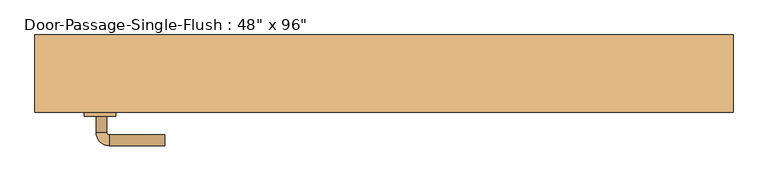
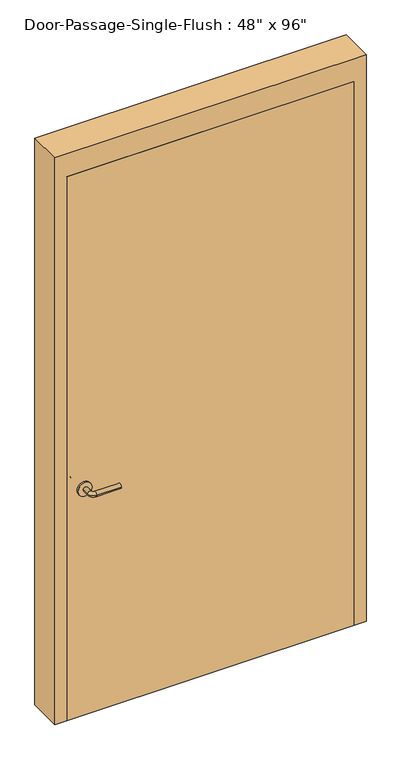
"""IFC4 building model written with IfcOpenShell, lengths in millimetres: door geometry."""

from ifc_helpers import new_model, si_unit, point, frame, frame_2d, origin, origin_with_axes, place, context, project, spatial, polyline, circle_curve, ellipse_curve, trimmed, segment, composite_curve, outline, extrude, faceted_brep, source, transform, mapped, element, save
from ifc_brep_helpers import plane_surface, cylinder_surface, revolved_surface, advanced_brep


def door_c3084327(model_context):
    return source(origin(), model_context, "Body", "SolidModel", [
        advanced_brep(
        [(-544.590625, -80.9, 1016.0), (-524.590625, -80.9, 1016.0), (-544.590625, -50.9, 1016.0), (-524.590625, -50.9, 1016.0), (-519.590625, -45.9, 1016.0), (-519.590625, -25.9, 1016.0), (-414.590625, -25.9, 1016.0), (-414.590625, -45.9, 1016.0)],
        [
            (0, 1, circle_curve(frame((-534.590625, -80.9, 1016.0), z_axis=(0.0, -1.0, 0.0), x_axis=(1.0, 0.0, 0.0)), 10.0)),
            (1, 0, circle_curve(frame((-534.590625, -80.9, 1016.0), z_axis=(0.0, -1.0, 0.0), x_axis=(1.0, 0.0, 0.0)), 10.0)),
            (0, 2),
            (2, 3, circle_curve(frame((-534.590625, -50.9, 1016.0), z_axis=(0.0, -1.0, 0.0), x_axis=(1.0, 0.0, 0.0)), 10.0)),
            (3, 1),
            (3, 2, circle_curve(frame((-534.590625, -50.9, 1016.0), z_axis=(0.0, -1.0, 0.0), x_axis=(1.0, 0.0, 0.0)), 10.0)),
            (4, 3, circle_curve(frame((-519.590625, -50.9, 1016.0), z_axis=(0.0, 0.0, 1.0), x_axis=(-1.0, 0.0, 0.0)), 5.0)),
            (2, 5, circle_curve(frame((-519.590625, -50.9, 1016.0), z_axis=(0.0, 0.0, -1.0), x_axis=(-1.0, 0.0, 0.0)), 25.0)),
            (5, 4, circle_curve(frame((-519.590625, -35.9, 1016.0), z_axis=(-1.0, 0.0, 0.0), x_axis=(0.0, -1.0, 0.0)), 10.0)),
            (4, 5, circle_curve(frame((-519.590625, -35.9, 1016.0), z_axis=(-1.0, 0.0, 0.0), x_axis=(0.0, -1.0, 0.0)), 10.0)),
            (6, 7, circle_curve(frame((-414.590625, -35.9, 1016.0), z_axis=(1.0, 0.0, 0.0), x_axis=(0.0, -1.0, 0.0)), 10.0)),
            (7, 6, circle_curve(frame((-414.590625, -35.9, 1016.0), z_axis=(1.0, 0.0, 0.0), x_axis=(0.0, -1.0, 0.0)), 10.0)),
            (5, 6),
            (7, 4),
        ],
        [
            plane_surface(frame((-534.590625, -80.9, 1016.0), z_axis=(0.0, -1.0, 0.0), x_axis=(0.0, 0.0, 1.0))),
            cylinder_surface(frame((-534.590625, -80.9, 1016.0), z_axis=(0.0, -1.0, 0.0), x_axis=(1.0, 0.0, 0.0)), 10.0),
            revolved_surface(trimmed(ellipse_curve(frame((-534.590625, -50.9, 1016.0), z_axis=(0.0, -1.0, 0.0), x_axis=(1.0, 0.0, 0.0)), 10.0, 10.0), [point((-544.590625, -50.9, 1016.0))], [point((-524.590625, -50.9, 1016.0))], True, "CARTESIAN"), (-519.590625, -50.9, 1016.0), (0.0, 0.0, -1.0)),
            revolved_surface(trimmed(ellipse_curve(frame((-534.590625, -50.9, 1016.0), z_axis=(0.0, -1.0, 0.0), x_axis=(1.0, 0.0, 0.0)), 10.0, 10.0), [point((-524.590625, -50.9, 1016.0))], [point((-544.590625, -50.9, 1016.0))], True, "CARTESIAN"), (-519.590625, -50.9, 1016.0), (0.0, 0.0, -1.0)),
            plane_surface(frame((-414.590625, -35.9, 1016.0), z_axis=(1.0, 0.0, 0.0), x_axis=(0.0, 0.0, 1.0))),
            cylinder_surface(frame((-519.590625, -35.9, 1016.0), z_axis=(-1.0, 0.0, 0.0), x_axis=(0.0, -1.0, 0.0)), 10.0),
        ],
        [
            (0, [[1, 2]]),
            (1, [[-1, 3, 4, 5]]),
            (1, [[-2, -5, 6, -3]]),
            (2, [[7, -4, 8, 9]]),
            (3, [[-8, -6, -7, 10]]),
            (4, [[11, 12]]),
            (5, [[-9, 13, -12, 14]]),
            (5, [[-10, -14, -11, -13]]),
        ],
    ),
        extrude(outline(composite_curve([segment(trimmed(circle_curve(frame_2d((1016.0, -537.090625)), 30.0), [point((1016.0, -567.090625))], [point((1016.0, -507.090625))], False, "CARTESIAN"), True, "CONTINUOUS"), segment(trimmed(circle_curve(frame_2d((1016.0, -537.090625)), 30.0), [point((1016.0, -507.090625))], [point((1016.0, -567.090625))], False, "CARTESIAN"), True, "CONTINUOUS")], self_intersect=False)), frame((0.0, -88.9, 0.0), z_axis=(0.0, 1.0, 0.0), x_axis=(0.0, 0.0, 1.0)), (0.0, 0.0, 1.0), 8.0),
        advanced_brep(
        [(-544.590625, -141.35, 1016.0), (-524.590625, -141.35, 1016.0), (-524.590625, -171.35, 1016.0), (-544.590625, -171.35, 1016.0), (-519.590625, -176.35, 1016.0), (-519.590625, -196.35, 1016.0), (-414.590625, -196.35, 1016.0), (-414.590625, -176.35, 1016.0)],
        [
            (0, 1, circle_curve(frame((-534.590625, -141.35, 1016.0), z_axis=(0.0, 1.0, 0.0), x_axis=(1.0, 0.0, 0.0)), 10.0)),
            (1, 0, circle_curve(frame((-534.590625, -141.35, 1016.0), z_axis=(0.0, 1.0, 0.0), x_axis=(1.0, 0.0, 0.0)), 10.0)),
            (1, 2),
            (2, 3, circle_curve(frame((-534.590625, -171.35, 1016.0), z_axis=(0.0, 1.0, 0.0), x_axis=(1.0, 0.0, 0.0)), 10.0)),
            (3, 0),
            (3, 2, circle_curve(frame((-534.590625, -171.35, 1016.0), z_axis=(0.0, 1.0, 0.0), x_axis=(1.0, 0.0, 0.0)), 10.0)),
            (4, 5, circle_curve(frame((-519.590625, -186.35, 1016.0), z_axis=(-1.0, 0.0, 0.0), x_axis=(0.0, 1.0, 0.0)), 10.0)),
            (5, 3, circle_curve(frame((-519.590625, -171.35, 1016.0), z_axis=(0.0, 0.0, -1.0), x_axis=(-1.0, 0.0, 0.0)), 25.0)),
            (2, 4, circle_curve(frame((-519.590625, -171.35, 1016.0), z_axis=(0.0, 0.0, 1.0), x_axis=(-1.0, 0.0, 0.0)), 5.0)),
            (5, 4, circle_curve(frame((-519.590625, -186.35, 1016.0), z_axis=(-1.0, 0.0, 0.0), x_axis=(0.0, 1.0, 0.0)), 10.0)),
            (6, 7, circle_curve(frame((-414.590625, -186.35, 1016.0), z_axis=(1.0, 0.0, 0.0), x_axis=(0.0, 1.0, 0.0)), 10.0)),
            (7, 6, circle_curve(frame((-414.590625, -186.35, 1016.0), z_axis=(1.0, 0.0, 0.0), x_axis=(0.0, 1.0, 0.0)), 10.0)),
            (4, 7),
            (6, 5),
        ],
        [
            plane_surface(frame((-534.590625, -141.35, 1016.0), z_axis=(0.0, 1.0, 0.0), x_axis=(0.0, 0.0, 1.0))),
            cylinder_surface(frame((-534.590625, -141.35, 1016.0), z_axis=(0.0, 1.0, 0.0), x_axis=(1.0, 0.0, 0.0)), 10.0),
            revolved_surface(trimmed(ellipse_curve(frame((-534.590625, -171.35, 1016.0), z_axis=(0.0, -1.0, 0.0), x_axis=(1.0, 0.0, 0.0)), 10.0, 10.0), [point((-544.590625, -171.35, 1016.0))], [point((-524.590625, -171.35, 1016.0))], True, "CARTESIAN"), (-519.590625, -171.35, 1016.0), (0.0, 0.0, -1.0)),
            revolved_surface(trimmed(ellipse_curve(frame((-534.590625, -171.35, 1016.0), z_axis=(0.0, -1.0, 0.0), x_axis=(1.0, 0.0, 0.0)), 10.0, 10.0), [point((-524.590625, -171.35, 1016.0))], [point((-544.590625, -171.35, 1016.0))], True, "CARTESIAN"), (-519.590625, -171.35, 1016.0), (0.0, 0.0, -1.0)),
            plane_surface(frame((-414.590625, -186.35, 1016.0), z_axis=(1.0, 0.0, 0.0), x_axis=(0.0, 0.0, 1.0))),
            cylinder_surface(frame((-519.590625, -186.35, 1016.0), z_axis=(-1.0, 0.0, 0.0), x_axis=(0.0, 1.0, 0.0)), 10.0),
        ],
        [
            (0, [[1, 2]]),
            (1, [[3, 4, 5, -2]]),
            (1, [[-5, 6, -3, -1]]),
            (2, [[7, 8, -4, 9]]),
            (3, [[10, -9, -6, -8]]),
            (4, [[11, 12]]),
            (5, [[13, -11, 14, -7]]),
            (5, [[-14, -12, -13, -10]]),
        ],
    ),
        extrude(outline(composite_curve([segment(trimmed(circle_curve(frame_2d((1016.0, -537.090625)), 30.0), [point((1016.0, -567.090625))], [point((1016.0, -507.090625))], False, "CARTESIAN"), True, "CONTINUOUS"), segment(trimmed(circle_curve(frame_2d((1016.0, -537.090625)), 30.0), [point((1016.0, -507.090625))], [point((1016.0, -567.090625))], False, "CARTESIAN"), True, "CONTINUOUS")], self_intersect=False)), frame((0.0, -141.35, 0.0), z_axis=(0.0, 1.0, 0.0), x_axis=(0.0, 0.0, 1.0)), (0.0, 0.0, 1.0), 8.0),
        faceted_brep([(609.6, -84.1375, 0.0), (593.725, -84.1375, 0.0), (593.725, -36.5125, 0.0), (609.6, -36.5125, 0.0), (609.6, 12.7, 0.0), (660.4, 12.7, 0.0), (660.4, -133.35, 0.0), (609.6, -133.35, 0.0), (609.6, -133.35, 2438.4), (609.6, -84.1375, 2438.4), (660.4, -133.35, 2540.0), (-660.4, -133.35, 2540.0), (-660.4, -133.35, 0.0), (-609.6, -133.35, 0.0), (-609.6, -133.35, 2438.4), (660.4, 12.7, 2540.0), (609.6, 12.7, 2438.4), (-609.6, 12.7, 2438.4), (-609.6, 12.7, 0.0), (-660.4, 12.7, 0.0), (-660.4, 12.7, 2540.0), (609.6, -36.5125, 2438.4), (593.725, -36.5125, 2422.525), (-593.725, -36.5125, 2422.525), (-593.725, -36.5125, 0.0), (-609.6, -36.5125, 0.0), (-609.6, -36.5125, 2438.4), (593.725, -84.1375, 2422.525), (-609.6, -84.1375, 2438.4), (-609.6, -84.1375, 0.0), (-593.725, -84.1375, 0.0), (-593.725, -84.1375, 2422.525)], [[[0, 1, 2, 3, 4, 5, 6, 7]], [[7, 8, 9, 0]], [[6, 10, 11, 12, 13, 14, 8, 7]], [[5, 15, 10, 6]], [[4, 16, 17, 18, 19, 20, 15, 5]], [[3, 21, 16, 4]], [[2, 22, 23, 24, 25, 26, 21, 3]], [[1, 27, 22, 2]], [[0, 9, 28, 29, 30, 31, 27, 1]], [[8, 14, 28, 9]], [[16, 21, 26, 17]], [[22, 27, 31, 23]], [[12, 19, 18, 25, 24, 30, 29, 13]], [[13, 29, 28, 14]], [[11, 20, 19, 12]], [[17, 26, 25, 18]], [[23, 31, 30, 24]], [[15, 20, 11, 10]]]),
        extrude(outline(polyline([(609.6, -88.9), (609.6, -133.35), (-609.6, -133.35), (-609.6, -88.9), (609.6, -88.9)])), origin_with_axes(), (0.0, 0.0, 1.0), 2438.4),
    ])


if __name__ == "__main__":
    model = new_model("IFC4")
    model_context = context("Model", 3, world=origin())
    ifc_project = project(units=[si_unit("LENGTHUNIT", "METRE", prefix="MILLI")], contexts=[model_context])
    site = spatial("IfcSite", under=ifc_project)
    building = spatial("IfcBuilding", under=site)
    placement = place(None, origin())
    door_shape = door_c3084327(model_context)
    element("IfcDoor", 1, ObjectType="Door-Passage-Single-Flush : 48\" x 96\"", at=placement, inside=building, context=model_context, shape_type="MappedRepresentation", body=[
        mapped(door_shape, transform((0.0, 0.0, 0.0), x_axis=(1.0, 0.0, 0.0), y_axis=(0.0, 1.0, 0.0), z_axis=(0.0, 0.0, 1.0))),
    ])
    save(model, "model.ifc")
